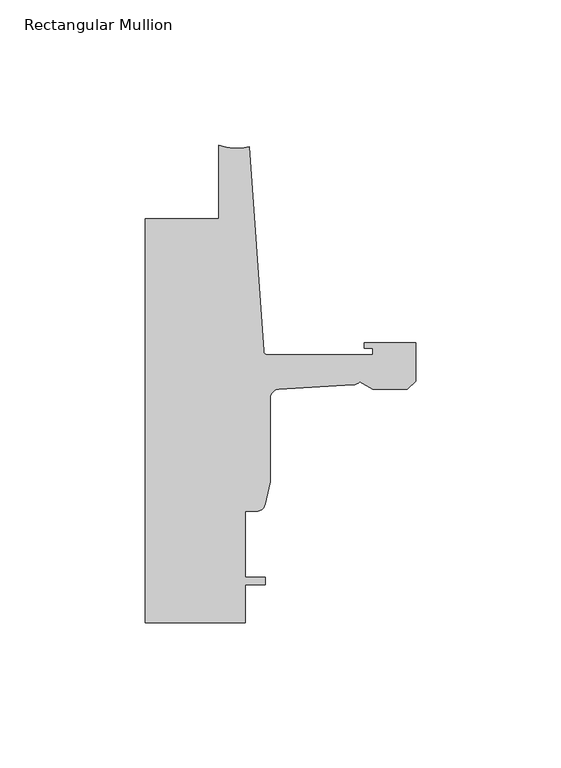
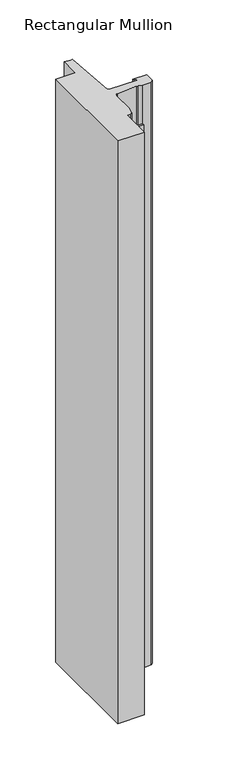
"""IFC4 building model written with IfcOpenShell, lengths in millimetres: member geometry, Rectangular Mullion."""

from ifc_helpers import new_model, si_unit, point, frame, frame_2d, origin, place, context, project, spatial, polyline, circle_curve, trimmed, segment, composite_curve, outline, extrude, source, transform, mapped, element, save


def rectangular_mullion_1b3bc325(model_context):
    return source(origin(), model_context, "Body", "SweptSolid", [
        extrude(outline(composite_curve([segment(polyline([(-93.2286109, -44.45), (-67.8287241, -44.45), (-67.8287241, -19.0495475)]), True, "CONTINUOUS"), segment(trimmed(circle_curve(frame_2d((-61.5737839, -3.5164675)), 16.7451739), [point((-67.8287241, -19.0495475))], [point((-57.2987656, -19.7067445))], True, "CARTESIAN"), True, "CONTINUOUS"), segment(polyline([(-57.2987656, -19.7067445), (-52.3871825, -89.9456563)]), True, "CONTINUOUS"), segment(trimmed(circle_curve(frame_2d((-50.8668948, -89.8393475)), 1.524), [point((-52.3871825, -89.9456563))], [point((-50.8668948, -91.3633475))], True, "CARTESIAN"), True, "CONTINUOUS"), segment(polyline([(-50.8668948, -91.3633475), (-14.783487, -91.3633475), (-14.783487, -89.0265474), (-17.6377748, -89.0265474), (-17.6377748, -87.2485474), (0.0, -87.2485474), (0.0, -100.4050602), (-2.845487, -103.2505472), (-14.7368542, -103.2505472), (-19.2689815, -100.6339223)]), True, "CONTINUOUS"), segment(trimmed(circle_curve(frame_2d((-21.6202542, -98.5003474)), 3.175), [point((-19.2689815, -100.6339223))], [point((-21.6202542, -101.6753474))], False, "CARTESIAN"), True, "CONTINUOUS"), segment(polyline([(-21.6202542, -101.6753474), (-47.0897067, -103.1933707)]), True, "CONTINUOUS"), segment(trimmed(circle_curve(frame_2d((-46.9265, -106.3641732)), 3.175), [point((-47.0897067, -103.1933707))], [point((-50.1015, -106.3641732))], True, "CARTESIAN"), True, "CONTINUOUS"), segment(polyline([(-50.1015, -106.3641732), (-50.1015, -135.0756605), (-51.8795003, -142.6577484)]), True, "CONTINUOUS"), segment(trimmed(circle_curve(frame_2d((-54.4195002, -142.6577484)), 2.5399999), [point((-51.8795003, -142.6577484))], [point((-54.4195002, -145.1977483))], False, "CARTESIAN"), True, "CONTINUOUS"), segment(polyline([(-54.4195002, -145.1977483), (-58.7375, -145.1977483), (-58.7375, -168.0577483), (-51.8795003, -168.0577483), (-51.8795003, -170.5977483), (-58.7375, -170.5977483), (-58.7375, -183.6415475), (-93.2286109, -183.6415475), (-93.2286109, -44.45)]), True, "CONTINUOUS")], self_intersect=False)), frame((0.0, 0.0, -799.8618795), z_axis=(0.0, 0.0, 1.0), x_axis=(1.0, 0.0, 0.0)), (0.0, 0.0, 1.0), 799.8618795),
    ])


if __name__ == "__main__":
    model = new_model("IFC4")
    model_context = context("Model", 3, world=origin())
    ifc_project = project(units=[si_unit("LENGTHUNIT", "METRE", prefix="MILLI")], contexts=[model_context])
    site = spatial("IfcSite", under=ifc_project)
    building = spatial("IfcBuilding", under=site)
    placement = place(None, origin())
    rectangular_mullion_shape = rectangular_mullion_1b3bc325(model_context)
    element("IfcMember", 1, ObjectType="Rectangular Mullion", at=placement, inside=building, context=model_context, shape_type="MappedRepresentation", body=[
        mapped(rectangular_mullion_shape, transform((0.0, 0.0, 0.0), x_axis=(1.0, 0.0, 0.0), y_axis=(0.0, 1.0, 0.0), z_axis=(0.0, 0.0, 1.0))),
    ])
    save(model, "model.ifc")
